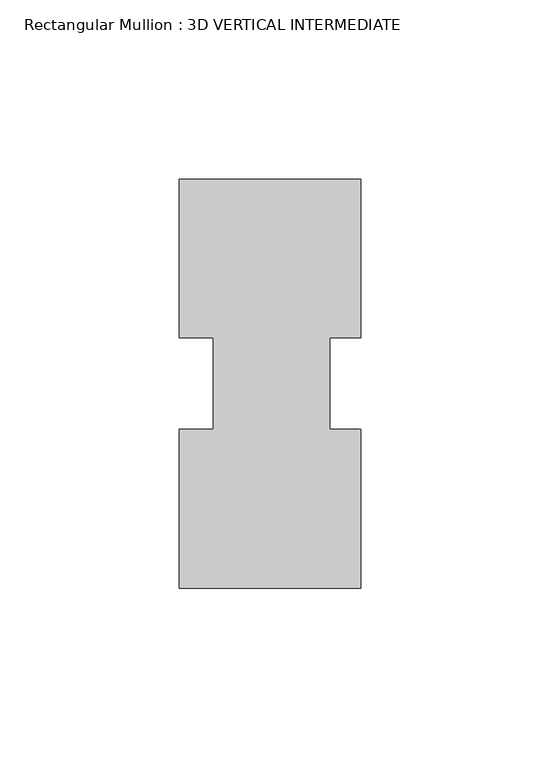
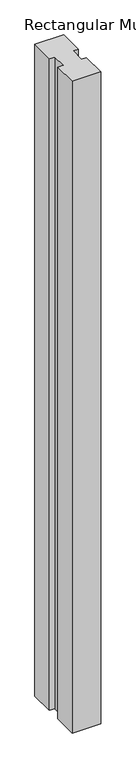
"""IFC4 building model written with IfcOpenShell, lengths in millimetres: member geometry, Rectangular Mullion : 3D VERTICAL INTERMEDIATE."""

from ifc_helpers import new_model, si_unit, frame, origin, place, context, project, spatial, polyline, outline, extrude, source, transform, mapped, element, save


def rectangular_mullion_3d_vertical_intermediate_44715ed0(model_context):
    return source(origin(), model_context, "Body", "SweptSolid", [
        extrude(outline(polyline([(25.4, 57.1500444), (25.4, 12.7938544), (16.66875, 12.7938544), (16.66875, -12.693844), (25.4, -12.693844), (25.4, -57.1499556), (-25.4, -57.149854), (-25.4, -12.693844), (-15.875, -12.693844), (-15.875, 12.7938544), (-25.4, 12.7938544), (-25.4, 57.150146), (25.4, 57.1500444)])), frame((0.0, 0.0, -1219.2), z_axis=(0.0, 0.0, 1.0), x_axis=(1.0, 0.0, 0.0)), (0.0, 0.0, 1.0), 1219.2),
    ])


if __name__ == "__main__":
    model = new_model("IFC4")
    model_context = context("Model", 3, world=origin())
    ifc_project = project(units=[si_unit("LENGTHUNIT", "METRE", prefix="MILLI")], contexts=[model_context])
    site = spatial("IfcSite", under=ifc_project)
    building = spatial("IfcBuilding", under=site)
    placement = place(None, origin())
    rectangular_mullion_3d_vertical_intermediate_shape = rectangular_mullion_3d_vertical_intermediate_44715ed0(model_context)
    element("IfcMember", 1, ObjectType="Rectangular Mullion : 3D VERTICAL INTERMEDIATE", at=placement, inside=building, context=model_context, shape_type="MappedRepresentation", body=[
        mapped(rectangular_mullion_3d_vertical_intermediate_shape, transform((0.0, 0.0, 0.0), x_axis=(1.0, 0.0, 0.0), y_axis=(0.0, 1.0, 0.0), z_axis=(0.0, 0.0, 1.0))),
    ])
    save(model, "model.ifc")
